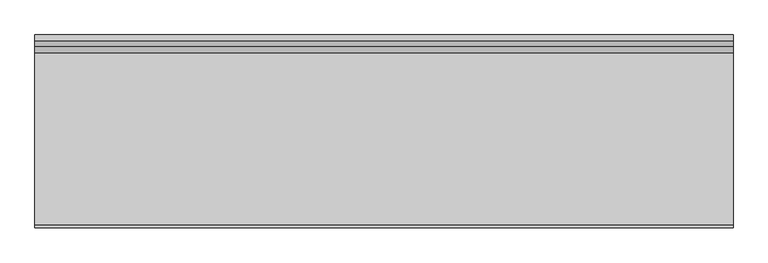
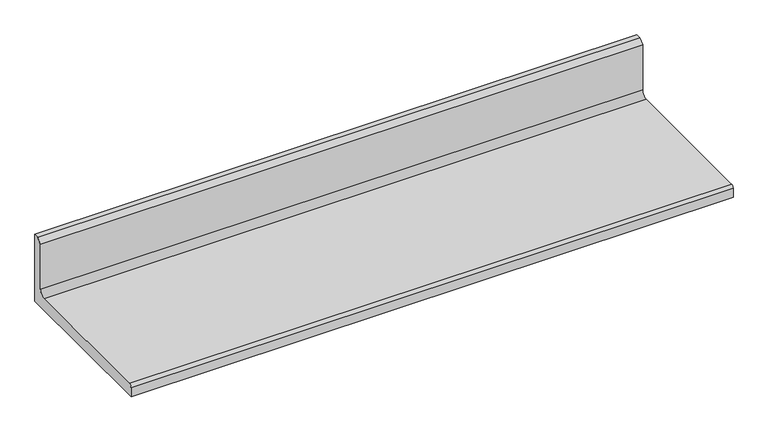
"""IFC4 building model written with IfcOpenShell, lengths in millimetres: furniture geometry."""

from ifc_helpers import new_model, si_unit, point, frame, frame_2d, origin, place, context, project, spatial, polyline, circle_curve, trimmed, segment, composite_curve, outline, extrude, source, transform, mapped, element, save


def furniture_0125d37e(model_context):
    return source(origin(), model_context, "Body", "SweptSolid", [
        extrude(outline(composite_curve([segment(polyline([(168.529, 1106.30462), (168.529, 962.6727), (-168.529, 962.6727), (-168.529, 982.4847)]), True, "CONTINUOUS"), segment(trimmed(circle_curve(frame_2d((-162.941, 982.4847)), 5.588), [point((-168.529, 982.4847))], [point((-162.941, 988.0727))], False, "CARTESIAN"), True, "CONTINUOUS"), segment(polyline([(-162.941, 988.0727), (136.271, 988.0727)]), True, "CONTINUOUS"), segment(trimmed(circle_curve(frame_2d((136.271, 1000.7727)), 12.7), [point((136.271, 988.0727))], [point((148.971, 1000.7727))], True, "CARTESIAN"), True, "CONTINUOUS"), segment(polyline([(148.971, 1000.7727), (148.971, 1096.77962), (158.496, 1106.30462), (168.529, 1106.30462)]), True, "CONTINUOUS")], self_intersect=False)), frame((-609.6, 0.0, 0.0), z_axis=(1.0, 0.0, 0.0), x_axis=(0.0, 1.0, 0.0)), (0.0, 0.0, 1.0), 1219.2),
    ])


if __name__ == "__main__":
    model = new_model("IFC4")
    model_context = context("Model", 3, world=origin())
    ifc_project = project(units=[si_unit("LENGTHUNIT", "METRE", prefix="MILLI")], contexts=[model_context])
    site = spatial("IfcSite", under=ifc_project)
    building = spatial("IfcBuilding", under=site)
    placement = place(None, origin())
    furniture_shape = furniture_0125d37e(model_context)
    element("IfcFurniture", 1, at=placement, inside=building, context=model_context, shape_type="MappedRepresentation", body=[
        mapped(furniture_shape, transform((0.0, 0.0, 0.0), x_axis=(1.0, 0.0, 0.0), y_axis=(0.0, 1.0, 0.0), z_axis=(0.0, 0.0, 1.0))),
    ])
    save(model, "model.ifc")
